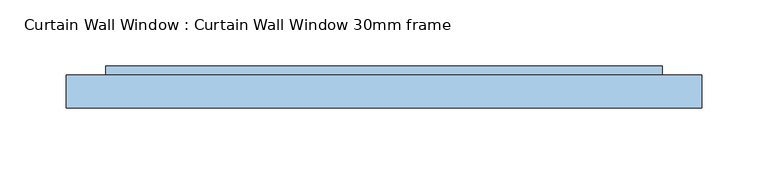
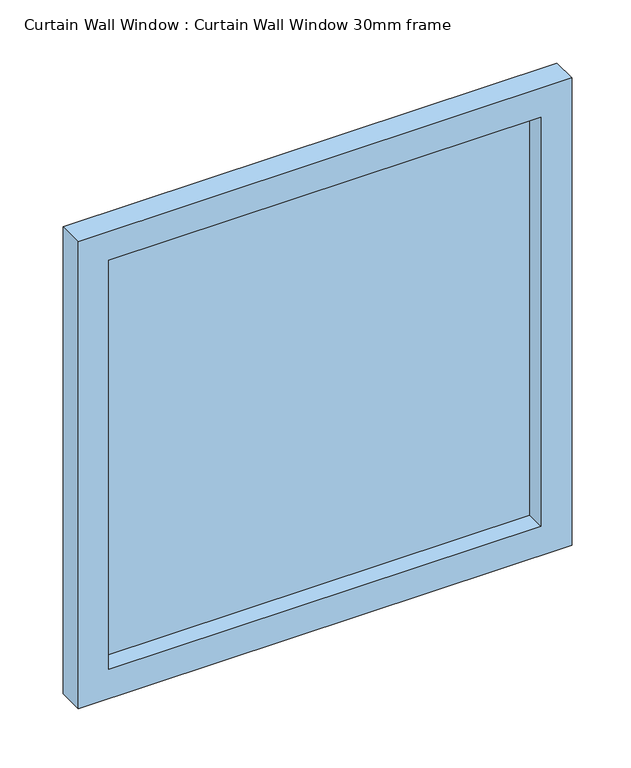
"""IFC4 building model written with IfcOpenShell, lengths in millimetres: window geometry, Curtain Wall Window : Curtain Wall Window 30mm frame."""

from ifc_helpers import new_model, si_unit, frame, origin, place, context, project, spatial, polyline, outline, extrude, source, transform, mapped, element, save


def curtain_wall_window_curtain_wall_window_30mm_frame_6230b243(model_context):
    return source(origin(), model_context, "Body", "SweptSolid", [
        extrude(outline(polyline([(210.4999959, 19.05), (-210.4999959, 19.05), (-210.4999959, 31.75), (210.4999959, 31.75), (210.4999959, 19.05)])), frame((0.0, 0.0, 30.0), z_axis=(0.0, 0.0, 1.0), x_axis=(1.0, 0.0, 0.0)), (0.0, 0.0, 1.0), 421.0000097),
        extrude(outline(polyline([(481.0000097, -240.4999959), (0.0, -240.4999959), (0.0, 240.4999959), (481.0000097, 240.4999959), (481.0000097, -240.4999959)]), holes=[polyline([(451.0000097, -210.4999959), (451.0000097, 210.4999959), (30.0, 210.4999959), (30.0, -210.4999959), (451.0000097, -210.4999959)])]), frame((0.0, 0.0, 0.0), z_axis=(0.0, 1.0, 0.0), x_axis=(0.0, 0.0, 1.0)), (0.0, 0.0, 1.0), 25.0),
    ])


if __name__ == "__main__":
    model = new_model("IFC4")
    model_context = context("Model", 3, world=origin())
    ifc_project = project(units=[si_unit("LENGTHUNIT", "METRE", prefix="MILLI")], contexts=[model_context])
    site = spatial("IfcSite", under=ifc_project)
    building = spatial("IfcBuilding", under=site)
    placement = place(None, origin())
    curtain_wall_window_curtain_wall_window_30mm_frame_shape = curtain_wall_window_curtain_wall_window_30mm_frame_6230b243(model_context)
    element("IfcWindow", 1, ObjectType="Curtain Wall Window : Curtain Wall Window 30mm frame", at=placement, inside=building, context=model_context, shape_type="MappedRepresentation", body=[
        mapped(curtain_wall_window_curtain_wall_window_30mm_frame_shape, transform((0.0, 0.0, 0.0), x_axis=(1.0, 0.0, 0.0), y_axis=(0.0, 1.0, 0.0), z_axis=(0.0, 0.0, 1.0))),
    ])
    save(model, "model.ifc")
